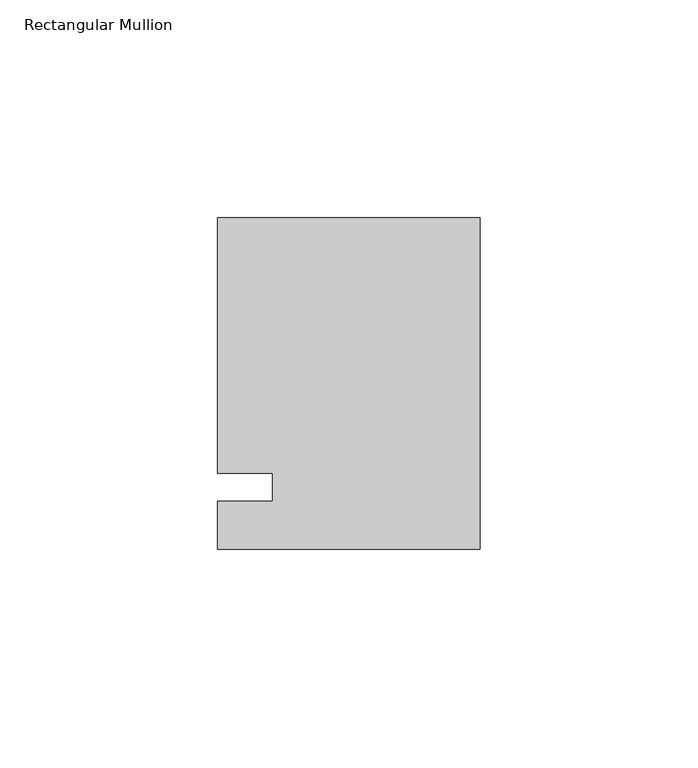
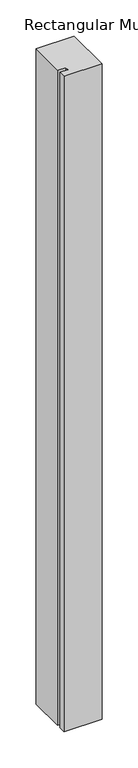
"""IFC4 building model written with IfcOpenShell, lengths in millimetres: member geometry, Rectangular Mullion."""

from ifc_helpers import new_model, si_unit, frame, origin, place, context, project, spatial, polyline, outline, extrude, source, transform, mapped, element, save


def rectangular_mullion_25bba05a(model_context):
    return source(origin(), model_context, "Body", "SweptSolid", [
        extrude(outline(polyline([(-60.325, 61.9125), (0.0, 61.9125), (0.0, -14.2875), (-60.325, -14.2875), (-60.325, -3.175), (-47.625, -3.175), (-47.625, 3.175), (-60.325, 3.175), (-60.325, 61.9125)])), frame((0.0, 0.0, -1099.7094027), z_axis=(0.0, 0.0, 1.0), x_axis=(1.0, 0.0, 0.0)), (0.0, 0.0, 1.0), 1099.7094027),
    ])


if __name__ == "__main__":
    model = new_model("IFC4")
    model_context = context("Model", 3, world=origin())
    ifc_project = project(units=[si_unit("LENGTHUNIT", "METRE", prefix="MILLI")], contexts=[model_context])
    site = spatial("IfcSite", under=ifc_project)
    building = spatial("IfcBuilding", under=site)
    placement = place(None, origin())
    rectangular_mullion_shape = rectangular_mullion_25bba05a(model_context)
    element("IfcMember", 1, ObjectType="Rectangular Mullion", at=placement, inside=building, context=model_context, shape_type="MappedRepresentation", body=[
        mapped(rectangular_mullion_shape, transform((0.0, 0.0, 0.0), x_axis=(1.0, 0.0, 0.0), y_axis=(0.0, 1.0, 0.0), z_axis=(0.0, 0.0, 1.0))),
    ])
    save(model, "model.ifc")
